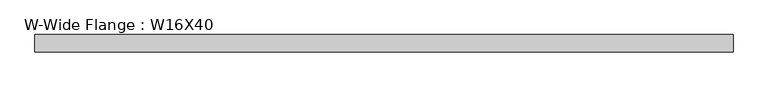
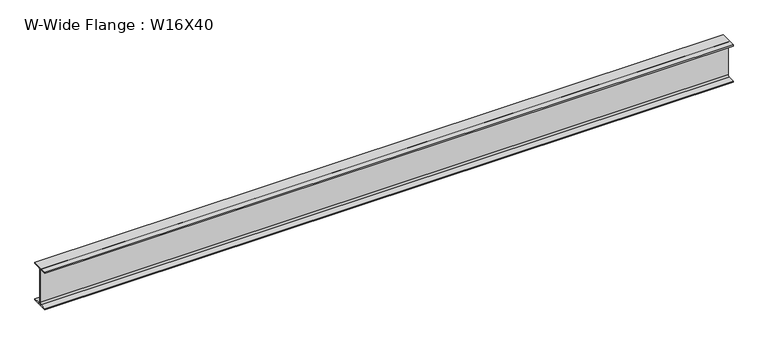
"""IFC4 building model written with IfcOpenShell, lengths in millimetres: beam geometry, W-Wide Flange : W16X40."""

from ifc_helpers import new_model, si_unit, point, frame, frame_2d, origin, place, context, project, spatial, polyline, circle_curve, trimmed, segment, composite_curve, outline, extrude, source, transform, mapped, element, save


def w_wide_flange_w16x40_fd3eb62b(model_context):
    return source(origin(), model_context, "Body", "SweptSolid", [
        extrude(outline(composite_curve([segment(polyline([(-88.9, -190.4), (-21.25, -190.4)]), True, "CONTINUOUS"), segment(trimmed(circle_curve(frame_2d((-21.25, -173.0)), 17.4), [point((-21.25, -190.4))], [point((-3.85, -173.0))], True, "CARTESIAN"), True, "CONTINUOUS"), segment(polyline([(-3.85, -173.0), (-3.85, 173.0)]), True, "CONTINUOUS"), segment(trimmed(circle_curve(frame_2d((-21.25, 173.0)), 17.4), [point((-3.85, 173.0))], [point((-21.25, 190.4))], True, "CARTESIAN"), True, "CONTINUOUS"), segment(polyline([(-21.25, 190.4), (-88.9, 190.4), (-88.9, 203.2), (88.9, 203.2), (88.9, 190.4), (21.25, 190.4)]), True, "CONTINUOUS"), segment(trimmed(circle_curve(frame_2d((21.25, 173.0)), 17.4), [point((21.25, 190.4))], [point((3.85, 173.0))], True, "CARTESIAN"), True, "CONTINUOUS"), segment(polyline([(3.85, 173.0), (3.85, -173.0)]), True, "CONTINUOUS"), segment(trimmed(circle_curve(frame_2d((21.25, -173.0)), 17.4), [point((3.85, -173.0))], [point((21.25, -190.4))], True, "CARTESIAN"), True, "CONTINUOUS"), segment(polyline([(21.25, -190.4), (88.9, -190.4), (88.9, -203.2), (-88.9, -203.2), (-88.9, -190.4)]), True, "CONTINUOUS")], self_intersect=False)), frame((-1549.9296393, 0.0, 0.0), z_axis=(1.0, 0.0, 0.0), x_axis=(0.0, 1.0, 0.0)), (0.0, 0.0, 1.0), 7063.6905716),
    ])


if __name__ == "__main__":
    model = new_model("IFC4")
    model_context = context("Model", 3, world=origin())
    ifc_project = project(units=[si_unit("LENGTHUNIT", "METRE", prefix="MILLI")], contexts=[model_context])
    site = spatial("IfcSite", under=ifc_project)
    building = spatial("IfcBuilding", under=site)
    placement = place(None, origin())
    w_wide_flange_w16x40_shape = w_wide_flange_w16x40_fd3eb62b(model_context)
    element("IfcBeam", 1, ObjectType="W-Wide Flange : W16X40", at=placement, inside=building, context=model_context, shape_type="MappedRepresentation", body=[
        mapped(w_wide_flange_w16x40_shape, transform((0.0, 0.0, 0.0), x_axis=(1.0, 0.0, 0.0), y_axis=(0.0, 1.0, 0.0), z_axis=(0.0, 0.0, 1.0))),
    ])
    save(model, "model.ifc")
